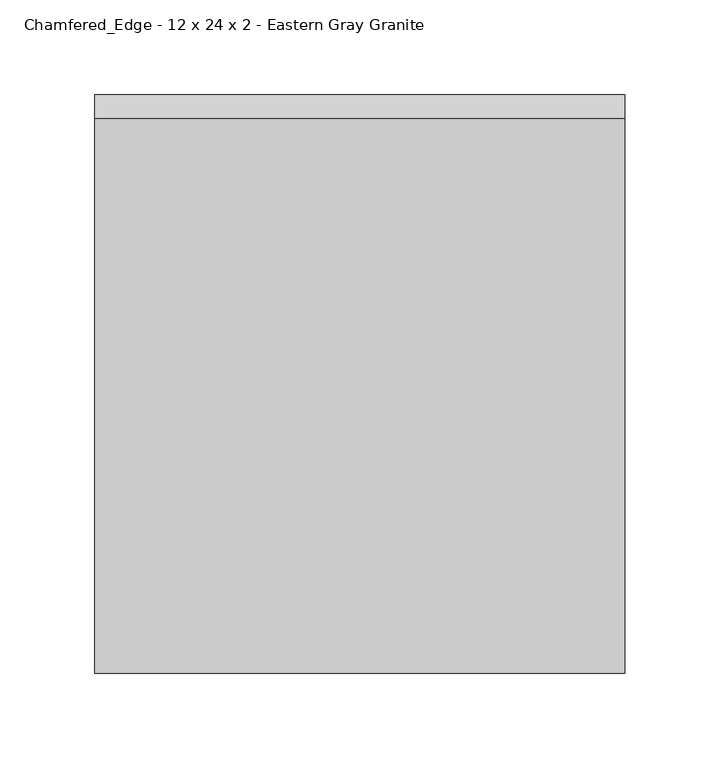
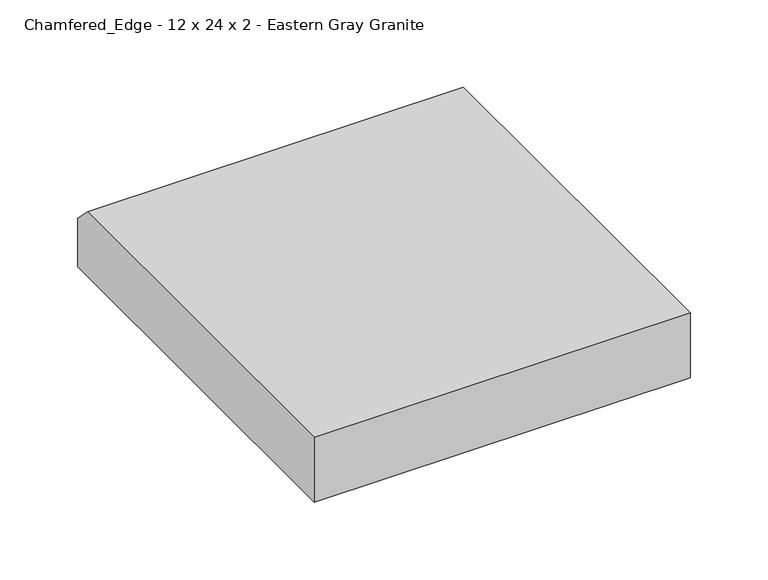
"""IFC4 building model written with IfcOpenShell, lengths in millimetres: proxy geometry, Chamfered_Edge - 12 x 24 x 2 - Eastern Gray Granite."""

import ifcopenshell
import ifcopenshell.guid

model = None  # the IFC model being written
_history = None  # IfcOwnerHistory: only IFC2X3 demands one
_inside = {}  # id of a spatial element -> (the spatial element, [elements in it])
_under = {}  # id of a project, library or spatial element -> (it, [spatial elements below it])
_declared = {}  # id of a project -> (the project, [libraries it declares])
_typed = {}  # id of a type object -> (the type object, [elements of that type])
_made_of = {}  # id of a material, layer set ... -> (it, [elements and type objects made of it])


def new_model(schema):
    """Start an empty IFC model of exactly this schema.

    Asked for "IFC4X3", IfcOpenShell would pick the latest addendum, in which some entities
    have other attributes; the version numbers below select the first issue.
    IFC2X3 requires an IfcOwnerHistory on every rooted entity: one is made here for all.
    """
    global model, _history
    if schema == "IFC4X3":
        model = ifcopenshell.file(schema_version=(4, 3, 0, 0))
    else:
        model = ifcopenshell.file(schema=schema)
    _inside.clear()
    _under.clear()
    _declared.clear()
    _typed.clear()
    _made_of.clear()
    _history = None
    if model.schema == "IFC2X3":
        org = make("IfcOrganization", Name="unknown")
        user = make(
            "IfcPersonAndOrganization",
            ThePerson=make("IfcPerson", FamilyName="unknown"),
            TheOrganization=org,
        )
        app = make(
            "IfcApplication",
            ApplicationDeveloper=org,
            Version="unknown",
            ApplicationFullName="unknown",
            ApplicationIdentifier="unknown",
        )
        _history = make(
            "IfcOwnerHistory",
            OwningUser=user,
            OwningApplication=app,
            ChangeAction="ADDED",
            CreationDate=0,
        )
    return model


def make(cls, **values):
    """One entity of the class cls with the attributes given. An attribute that is None is left unset."""
    return model.create_entity(
        cls, **{name: value for name, value in values.items() if value is not None}
    )


def rooted(cls, **values):
    """An entity with a GlobalId (a new one), such as an element, a storey or a relation."""
    return make(cls, GlobalId=ifcopenshell.guid.new(), OwnerHistory=_history, **values)


def si_unit(unit_type, name, prefix=None):
    """IfcSIUnit, for example si_unit("LENGTHUNIT", "METRE", prefix="MILLI")."""
    return make("IfcSIUnit", UnitType=unit_type, Prefix=prefix, Name=name)


def assignment(units):
    """IfcUnitAssignment: the units of a project."""
    return None if units is None else make("IfcUnitAssignment", Units=units)


def point(xyz):
    """IfcCartesianPoint."""
    return None if xyz is None else make("IfcCartesianPoint", Coordinates=xyz)


def direction(xyz):
    """IfcDirection."""
    return None if xyz is None else make("IfcDirection", DirectionRatios=xyz)


def frame(location, z_axis=None, x_axis=None):
    """IfcAxis2Placement3D, a coordinate frame: its origin and axes. An axis left out is left unset."""
    return make(
        "IfcAxis2Placement3D",
        Location=point(location),
        Axis=direction(z_axis),
        RefDirection=direction(x_axis),
    )


def origin():
    """The frame at (0, 0, 0) with its axes left unset."""
    return frame((0.0, 0.0, 0.0))


def place(relative_to, where):
    """IfcLocalPlacement: puts the frame where relative to a parent placement (None: the world)."""
    return make(
        "IfcLocalPlacement", PlacementRelTo=relative_to, RelativePlacement=where
    )


def context(
    kind, dimensions, precision=None, world=None, true_north=None, identifier=None
):
    """IfcGeometricRepresentationContext, for example the 3D "Model" context."""
    return make(
        "IfcGeometricRepresentationContext",
        ContextIdentifier=identifier,
        ContextType=kind,
        CoordinateSpaceDimension=dimensions,
        Precision=precision,
        WorldCoordinateSystem=world,
        TrueNorth=true_north,
    )


def project(units=None, contexts=None):
    """IfcProject with its units and contexts."""
    return rooted(
        "IfcProject",
        Name="project",
        RepresentationContexts=contexts,
        UnitsInContext=assignment(units),
    )


def spatial(cls, under=None, at=None, **own):
    """A site, building, storey or space (cls), placed at a placement, below another one or the project."""
    s = rooted(cls, ObjectPlacement=at, **own)
    if under is not None:
        _under.setdefault(under.id(), (under, []))[1].append(s)
    return s


def polyline(points):
    """IfcPolyline through the points."""
    return make("IfcPolyline", Points=[point(p) for p in points])


def outline(outer, holes=None, kind="AREA"):
    """IfcArbitraryClosedProfileDef: a profile drawn as a closed curve; with holes, ...WithVoids."""
    if holes is None:
        return make("IfcArbitraryClosedProfileDef", ProfileType=kind, OuterCurve=outer)
    return make(
        "IfcArbitraryProfileDefWithVoids",
        ProfileType=kind,
        OuterCurve=outer,
        InnerCurves=holes,
    )


def extrude(swept, where, along, depth):
    """IfcExtrudedAreaSolid: the profile swept, set in the frame where, extruded along a direction by depth."""
    return make(
        "IfcExtrudedAreaSolid",
        SweptArea=swept,
        Position=where,
        ExtrudedDirection=direction(along),
        Depth=depth,
    )


def shape(context_of_items, identifier, shape_type, items):
    """IfcShapeRepresentation: the items that make up one representation, for example the "Body"."""
    return make(
        "IfcShapeRepresentation",
        ContextOfItems=context_of_items,
        RepresentationIdentifier=identifier,
        RepresentationType=shape_type,
        Items=items,
    )


def source(mapping_origin, context_of_items, identifier, shape_type, items):
    """IfcRepresentationMap: a shape defined once, which mapped items show again and again."""
    return make(
        "IfcRepresentationMap",
        MappingOrigin=mapping_origin,
        MappedRepresentation=shape(context_of_items, identifier, shape_type, items),
    )


def transform(
    local_origin,
    x_axis=None,
    y_axis=None,
    z_axis=None,
    scale=None,
    scale2=None,
    scale3=None,
    uniform=True,
):
    """IfcCartesianTransformationOperator3D, or its non-uniform kind. x_axis, y_axis, z_axis: its Axis1, 2, 3."""
    if uniform:
        return make(
            "IfcCartesianTransformationOperator3D",
            Axis1=direction(x_axis),
            Axis2=direction(y_axis),
            LocalOrigin=point(local_origin),
            Scale=scale,
            Axis3=direction(z_axis),
        )
    return make(
        "IfcCartesianTransformationOperator3DnonUniform",
        Axis1=direction(x_axis),
        Axis2=direction(y_axis),
        LocalOrigin=point(local_origin),
        Scale=scale,
        Axis3=direction(z_axis),
        Scale2=scale2,
        Scale3=scale3,
    )


def mapped(mapping_source, mapping_target):
    """IfcMappedItem: shows the shape of a source again, moved by a transform."""
    return make(
        "IfcMappedItem", MappingSource=mapping_source, MappingTarget=mapping_target
    )


def made_of(thing, what):
    """Note that an element or type object is made of a material, layer set ...; save() writes the relation."""
    if what is not None:
        _made_of.setdefault(what.id(), (what, []))[1].append(thing)
    return thing


def element(
    cls,
    number,
    at=None,
    inside=None,
    cuts=None,
    type_object=None,
    material=None,
    context=None,
    identifier="Body",
    shape_type=None,
    held_by="IfcProductDefinitionShape",
    body=None,
    shapes=None,
    **own,
):
    """One element of the class cls, such as IfcWall. Its Tag is "e" and its number.

    at: its placement. inside: the storey or other place that contains it. cuts: it is an
    opening in that element (IfcRelVoidsElement). A single representation is given by context,
    identifier, shape_type and body (its items); several are given by shapes. held_by: the class
    of the entity that holds the representations. save() writes the other relations.
    """
    e = rooted(cls, Tag="e%d" % number, ObjectPlacement=at, **own)
    if body is not None:
        shapes = [shape(context, identifier, shape_type, body)]
    if shapes is not None:
        e.Representation = make(held_by, Representations=shapes)
    if inside is not None:
        _inside.setdefault(inside.id(), (inside, []))[1].append(e)
    if cuts is not None:
        rooted(
            "IfcRelVoidsElement", RelatingBuildingElement=cuts, RelatedOpeningElement=e
        )
    if type_object is not None:
        _typed.setdefault(type_object.id(), (type_object, []))[1].append(e)
    return made_of(e, material)


def aggregate(whole, parts):
    """IfcRelAggregates: a whole, such as a stair, and the parts it consists of."""
    return rooted("IfcRelAggregates", RelatingObject=whole, RelatedObjects=parts)


def save(model, path):
    """Write the relations noted so far, then the file.

    IfcRelAggregates (storeys below a building ...), IfcRelContainedInSpatialStructure (elements
    in a storey), IfcRelDefinesByType, IfcRelAssociatesMaterial and IfcRelDeclares: one each for
    every whole, place, type object, material and project.
    """
    for whole, parts in _under.values():
        aggregate(whole, parts)
    for where, things in _inside.values():
        rooted(
            "IfcRelContainedInSpatialStructure",
            RelatedElements=things,
            RelatingStructure=where,
        )
    for kind, things in _typed.values():
        rooted("IfcRelDefinesByType", RelatedObjects=things, RelatingType=kind)
    for what, things in _made_of.values():
        rooted("IfcRelAssociatesMaterial", RelatedObjects=things, RelatingMaterial=what)
    for by, libraries in _declared.values():
        rooted("IfcRelDeclares", RelatingContext=by, RelatedDefinitions=libraries)
    model.write(path)


def chamfered_edge_12_x_24_x_2_eastern_gray_granite_8297a8c7(model_context):
    return source(origin(), model_context, "Body", "SweptSolid", [
        extrude(outline(polyline([(304.8, 0.0), (0.0, 0.0), (0.0, 50.8), (292.1, 50.8), (304.8, 38.1), (304.8, 0.0)])), frame((0.0, 0.0, 0.0), z_axis=(1.0, 0.0, 0.0), x_axis=(0.0, 1.0, 0.0)), (0.0, 0.0, 1.0), 279.4),
    ])


if __name__ == "__main__":
    model = new_model("IFC4")
    model_context = context("Model", 3, world=origin())
    ifc_project = project(units=[si_unit("LENGTHUNIT", "METRE", prefix="MILLI")], contexts=[model_context])
    site = spatial("IfcSite", under=ifc_project)
    building = spatial("IfcBuilding", under=site)
    placement = place(None, origin())
    chamfered_edge_12_x_24_x_2_eastern_gray_granite_shape = chamfered_edge_12_x_24_x_2_eastern_gray_granite_8297a8c7(model_context)
    element("IfcBuildingElementProxy", 1, Name="Chamfered_Edge - 12 x 24 x 2 - Eastern Gray Granite", ObjectType="Chamfered_Edge - 12 x 24 x 2 - Eastern Gray Granite", at=placement, inside=building, context=model_context, shape_type="MappedRepresentation", body=[
        mapped(chamfered_edge_12_x_24_x_2_eastern_gray_granite_shape, transform((0.0, 0.0, 0.0), x_axis=(1.0, 0.0, 0.0), y_axis=(0.0, 1.0, 0.0), z_axis=(0.0, 0.0, 1.0))),
    ])
    save(model, "model.ifc")
